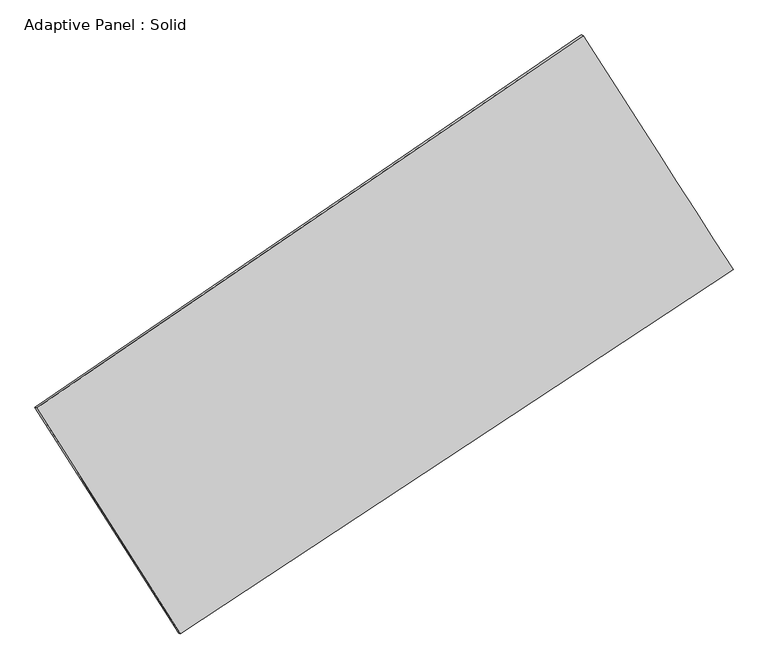
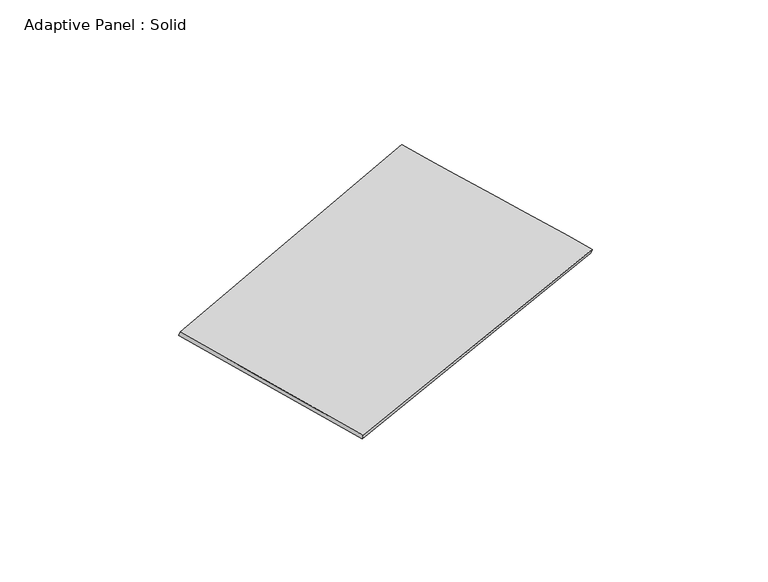
"""IFC4 building model written with IfcOpenShell, lengths in millimetres: plate geometry, Adaptive Panel : Solid."""

from ifc_helpers import new_model, si_unit, frame, origin, place, context, project, spatial, source, transform, mapped, element, save
from ifc_brep_helpers import plane_surface, spline_surface, advanced_brep


def adaptive_panel_solid_d6d521ab(model_context):
    return source(origin(), model_context, "Body", "AdvancedBrep", [
        advanced_brep(
        [(1097.7326994, 2536.5651144, 676.0618252), (-3683.7489491, -724.7347754, 1735.4101411), (-3669.0825932, -731.1148688, 1782.7830492), (1112.3990553, 2530.1850209, 723.4347333), (-2426.668262, -2700.3910119, 1061.5809233), (-2412.0019062, -2706.7711053, 1108.9538314), (2409.3939335, 488.3121, 12.0696305), (2424.0602893, 481.9320066, 59.4425385)],
        [
            (0, 1),
            (1, 2),
            (2, 3),
            (3, 0),
            (1, 4),
            (4, 5),
            (5, 2),
            (4, 6),
            (6, 7),
            (7, 5),
            (6, 0),
            (3, 7),
        ],
        [
            plane_surface(frame((-1293.0081248, 905.9151695, 1205.7359832), z_axis=(-0.5021768287630626, 0.8227484367450106, 0.26627700330128995), x_axis=(-0.8126313098040003, -0.5542705370190041, 0.18004034580865433))),
            plane_surface(frame((-3055.2086055, -1712.5628936, 1398.4955322), z_axis=(-0.8034978205851548, -0.5699179021306799, 0.1720024335463642), x_axis=(0.5158943669159911, -0.8107911718282717, -0.2765333214455125))),
            plane_surface(frame((-8.6371643, -1106.0394559, 536.8252769), z_axis=(0.4904457942121559, -0.8306158817747914, -0.2637047210102492), x_axis=(0.8214812466455307, 0.541651389426189, -0.1782760043931426))),
            plane_surface(frame((1753.5633165, 1512.4386072, 344.0657279), z_axis=(0.8033356344540422, 0.5701719542974557, -0.17191800647093852), x_axis=(-0.5202432646238139, 0.8123971398172879, 0.26335875309213935))),
            spline_surface(1, 1, [[(-3669.0825932, -731.1148688, 1782.7830492), (1112.3990553, 2530.1850209, 723.4347333)], [(-2412.0019062, -2706.7711053, 1108.9538314), (2424.0602893, 481.9320066, 59.4425385)]], [2, 2], [2, 2], [0.0, 1.0], [0.0, 1.0]),
            spline_surface(1, 1, [[(2409.3939335, 488.3121, 12.0696305), (1097.7326994, 2536.5651144, 676.0618252)], [(-2426.668262, -2700.3910119, 1061.5809233), (-3683.7489491, -724.7347754, 1735.4101411)]], [2, 2], [2, 2], [0.0, 1.0], [0.0, 1.0]),
        ],
        [
            (0, [[1, 2, 3, 4]]),
            (1, [[5, 6, 7, -2]]),
            (2, [[8, 9, 10, -6]]),
            (3, [[11, -4, 12, -9]]),
            (4, [[-3, -7, -10, -12]]),
            (5, [[-11, -8, -5, -1]]),
        ],
    ),
    ])


if __name__ == "__main__":
    model = new_model("IFC4")
    model_context = context("Model", 3, world=origin())
    ifc_project = project(units=[si_unit("LENGTHUNIT", "METRE", prefix="MILLI")], contexts=[model_context])
    site = spatial("IfcSite", under=ifc_project)
    building = spatial("IfcBuilding", under=site)
    placement = place(None, origin())
    adaptive_panel_solid_shape = adaptive_panel_solid_d6d521ab(model_context)
    element("IfcPlate", 1, ObjectType="Adaptive Panel : Solid", at=placement, inside=building, context=model_context, shape_type="MappedRepresentation", body=[
        mapped(adaptive_panel_solid_shape, transform((0.0, 0.0, 0.0), x_axis=(1.0, 0.0, 0.0), y_axis=(0.0, 1.0, 0.0), z_axis=(0.0, 0.0, 1.0))),
    ])
    save(model, "model.ifc")
